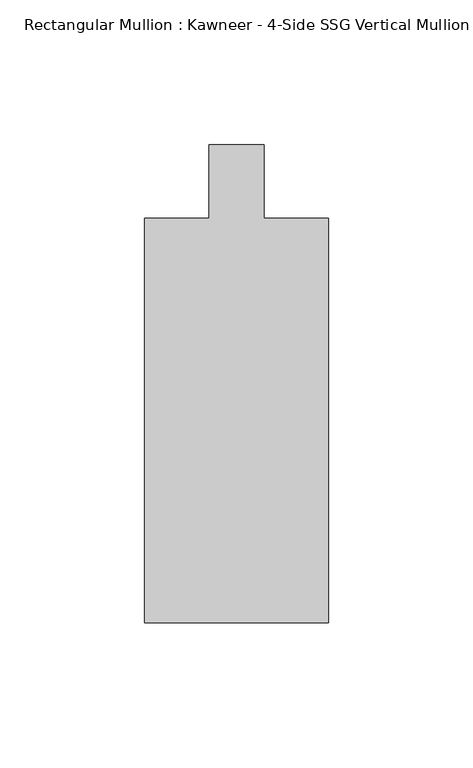
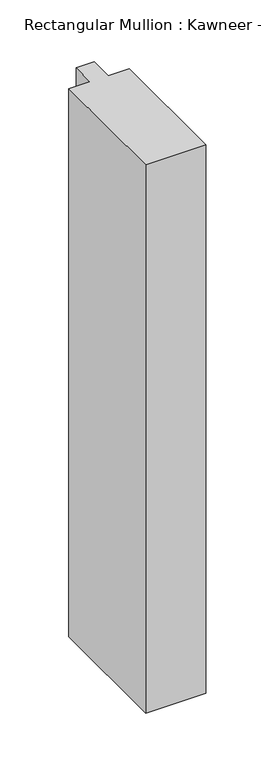
"""IFC4 building model written with IfcOpenShell, lengths in millimetres: member geometry."""

from ifc_helpers import new_model, si_unit, frame, origin, place, context, project, spatial, polyline, outline, extrude, source, transform, mapped, element, save


def member_ead81c7a(model_context):
    return source(origin(), model_context, "Body", "SweptSolid", [
        extrude(outline(polyline([(-31.75, -152.399995), (-31.75, -12.7), (-9.5251132, -12.7), (-9.5251132, 12.7), (9.5251132, 12.7), (9.5251132, -12.7), (31.75, -12.7), (31.75, -152.399995), (-31.75, -152.399995)])), frame((0.0, 0.0, -609.6), z_axis=(0.0, 0.0, 1.0), x_axis=(1.0, 0.0, 0.0)), (0.0, 0.0, 1.0), 609.6),
    ])


if __name__ == "__main__":
    model = new_model("IFC4")
    model_context = context("Model", 3, world=origin())
    ifc_project = project(units=[si_unit("LENGTHUNIT", "METRE", prefix="MILLI")], contexts=[model_context])
    site = spatial("IfcSite", under=ifc_project)
    building = spatial("IfcBuilding", under=site)
    placement = place(None, origin())
    member_shape = member_ead81c7a(model_context)
    element("IfcMember", 1, ObjectType="Rectangular Mullion : Kawneer - 4-Side SSG Vertical Mullion - 6 1/2\"", at=placement, inside=building, context=model_context, shape_type="MappedRepresentation", body=[
        mapped(member_shape, transform((0.0, 0.0, 0.0), x_axis=(1.0, 0.0, 0.0), y_axis=(0.0, 1.0, 0.0), z_axis=(0.0, 0.0, 1.0))),
    ])
    save(model, "model.ifc")
